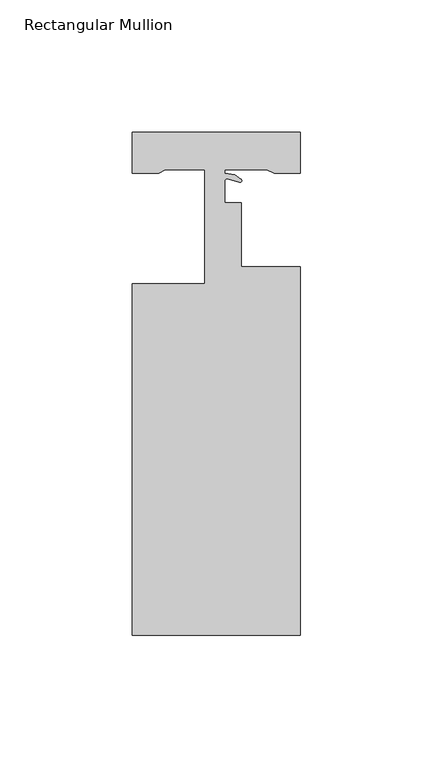
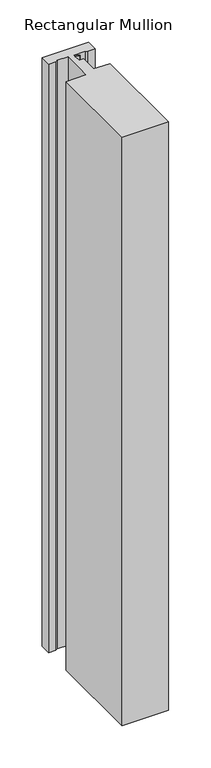
"""IFC4 building model written with IfcOpenShell, lengths in millimetres: member geometry, Rectangular Mullion."""

import ifcopenshell
import ifcopenshell.guid

model = None  # the IFC model being written
_history = None  # IfcOwnerHistory: only IFC2X3 demands one
_inside = {}  # id of a spatial element -> (the spatial element, [elements in it])
_under = {}  # id of a project, library or spatial element -> (it, [spatial elements below it])
_declared = {}  # id of a project -> (the project, [libraries it declares])
_typed = {}  # id of a type object -> (the type object, [elements of that type])
_made_of = {}  # id of a material, layer set ... -> (it, [elements and type objects made of it])


def new_model(schema):
    """Start an empty IFC model of exactly this schema.

    Asked for "IFC4X3", IfcOpenShell would pick the latest addendum, in which some entities
    have other attributes; the version numbers below select the first issue.
    IFC2X3 requires an IfcOwnerHistory on every rooted entity: one is made here for all.
    """
    global model, _history
    if schema == "IFC4X3":
        model = ifcopenshell.file(schema_version=(4, 3, 0, 0))
    else:
        model = ifcopenshell.file(schema=schema)
    _inside.clear()
    _under.clear()
    _declared.clear()
    _typed.clear()
    _made_of.clear()
    _history = None
    if model.schema == "IFC2X3":
        org = make("IfcOrganization", Name="unknown")
        user = make(
            "IfcPersonAndOrganization",
            ThePerson=make("IfcPerson", FamilyName="unknown"),
            TheOrganization=org,
        )
        app = make(
            "IfcApplication",
            ApplicationDeveloper=org,
            Version="unknown",
            ApplicationFullName="unknown",
            ApplicationIdentifier="unknown",
        )
        _history = make(
            "IfcOwnerHistory",
            OwningUser=user,
            OwningApplication=app,
            ChangeAction="ADDED",
            CreationDate=0,
        )
    return model


def make(cls, **values):
    """One entity of the class cls with the attributes given. An attribute that is None is left unset."""
    return model.create_entity(
        cls, **{name: value for name, value in values.items() if value is not None}
    )


def rooted(cls, **values):
    """An entity with a GlobalId (a new one), such as an element, a storey or a relation."""
    return make(cls, GlobalId=ifcopenshell.guid.new(), OwnerHistory=_history, **values)


def si_unit(unit_type, name, prefix=None):
    """IfcSIUnit, for example si_unit("LENGTHUNIT", "METRE", prefix="MILLI")."""
    return make("IfcSIUnit", UnitType=unit_type, Prefix=prefix, Name=name)


def assignment(units):
    """IfcUnitAssignment: the units of a project."""
    return None if units is None else make("IfcUnitAssignment", Units=units)


def point(xyz):
    """IfcCartesianPoint."""
    return None if xyz is None else make("IfcCartesianPoint", Coordinates=xyz)


def direction(xyz):
    """IfcDirection."""
    return None if xyz is None else make("IfcDirection", DirectionRatios=xyz)


def frame(location, z_axis=None, x_axis=None):
    """IfcAxis2Placement3D, a coordinate frame: its origin and axes. An axis left out is left unset."""
    return make(
        "IfcAxis2Placement3D",
        Location=point(location),
        Axis=direction(z_axis),
        RefDirection=direction(x_axis),
    )


def frame_2d(location, x_axis=None):
    """IfcAxis2Placement2D, a coordinate frame in the plane: its origin and x axis."""
    return make(
        "IfcAxis2Placement2D", Location=point(location), RefDirection=direction(x_axis)
    )


def origin():
    """The frame at (0, 0, 0) with its axes left unset."""
    return frame((0.0, 0.0, 0.0))


def place(relative_to, where):
    """IfcLocalPlacement: puts the frame where relative to a parent placement (None: the world)."""
    return make(
        "IfcLocalPlacement", PlacementRelTo=relative_to, RelativePlacement=where
    )


def context(
    kind, dimensions, precision=None, world=None, true_north=None, identifier=None
):
    """IfcGeometricRepresentationContext, for example the 3D "Model" context."""
    return make(
        "IfcGeometricRepresentationContext",
        ContextIdentifier=identifier,
        ContextType=kind,
        CoordinateSpaceDimension=dimensions,
        Precision=precision,
        WorldCoordinateSystem=world,
        TrueNorth=true_north,
    )


def project(units=None, contexts=None):
    """IfcProject with its units and contexts."""
    return rooted(
        "IfcProject",
        Name="project",
        RepresentationContexts=contexts,
        UnitsInContext=assignment(units),
    )


def spatial(cls, under=None, at=None, **own):
    """A site, building, storey or space (cls), placed at a placement, below another one or the project."""
    s = rooted(cls, ObjectPlacement=at, **own)
    if under is not None:
        _under.setdefault(under.id(), (under, []))[1].append(s)
    return s


def polyline(points):
    """IfcPolyline through the points."""
    return make("IfcPolyline", Points=[point(p) for p in points])


def circle_curve(where, radius):
    """IfcCircle in the frame where."""
    return make("IfcCircle", Position=where, Radius=radius)


def trimmed(basis, trim1, trim2, sense, master):
    """IfcTrimmedCurve: the piece of a basis curve between two trims."""
    return make(
        "IfcTrimmedCurve",
        BasisCurve=basis,
        Trim1=trim1,
        Trim2=trim2,
        SenseAgreement=sense,
        MasterRepresentation=master,
    )


def segment(curve, same_sense, transition):
    """IfcCompositeCurveSegment."""
    return make(
        "IfcCompositeCurveSegment",
        Transition=transition,
        SameSense=same_sense,
        ParentCurve=curve,
    )


def composite_curve(segments, self_intersect=None):
    """IfcCompositeCurve: segments joined end to end."""
    return make("IfcCompositeCurve", Segments=segments, SelfIntersect=self_intersect)


def outline(outer, holes=None, kind="AREA"):
    """IfcArbitraryClosedProfileDef: a profile drawn as a closed curve; with holes, ...WithVoids."""
    if holes is None:
        return make("IfcArbitraryClosedProfileDef", ProfileType=kind, OuterCurve=outer)
    return make(
        "IfcArbitraryProfileDefWithVoids",
        ProfileType=kind,
        OuterCurve=outer,
        InnerCurves=holes,
    )


def extrude(swept, where, along, depth):
    """IfcExtrudedAreaSolid: the profile swept, set in the frame where, extruded along a direction by depth."""
    return make(
        "IfcExtrudedAreaSolid",
        SweptArea=swept,
        Position=where,
        ExtrudedDirection=direction(along),
        Depth=depth,
    )


def shape(context_of_items, identifier, shape_type, items):
    """IfcShapeRepresentation: the items that make up one representation, for example the "Body"."""
    return make(
        "IfcShapeRepresentation",
        ContextOfItems=context_of_items,
        RepresentationIdentifier=identifier,
        RepresentationType=shape_type,
        Items=items,
    )


def source(mapping_origin, context_of_items, identifier, shape_type, items):
    """IfcRepresentationMap: a shape defined once, which mapped items show again and again."""
    return make(
        "IfcRepresentationMap",
        MappingOrigin=mapping_origin,
        MappedRepresentation=shape(context_of_items, identifier, shape_type, items),
    )


def transform(
    local_origin,
    x_axis=None,
    y_axis=None,
    z_axis=None,
    scale=None,
    scale2=None,
    scale3=None,
    uniform=True,
):
    """IfcCartesianTransformationOperator3D, or its non-uniform kind. x_axis, y_axis, z_axis: its Axis1, 2, 3."""
    if uniform:
        return make(
            "IfcCartesianTransformationOperator3D",
            Axis1=direction(x_axis),
            Axis2=direction(y_axis),
            LocalOrigin=point(local_origin),
            Scale=scale,
            Axis3=direction(z_axis),
        )
    return make(
        "IfcCartesianTransformationOperator3DnonUniform",
        Axis1=direction(x_axis),
        Axis2=direction(y_axis),
        LocalOrigin=point(local_origin),
        Scale=scale,
        Axis3=direction(z_axis),
        Scale2=scale2,
        Scale3=scale3,
    )


def mapped(mapping_source, mapping_target):
    """IfcMappedItem: shows the shape of a source again, moved by a transform."""
    return make(
        "IfcMappedItem", MappingSource=mapping_source, MappingTarget=mapping_target
    )


def made_of(thing, what):
    """Note that an element or type object is made of a material, layer set ...; save() writes the relation."""
    if what is not None:
        _made_of.setdefault(what.id(), (what, []))[1].append(thing)
    return thing


def element(
    cls,
    number,
    at=None,
    inside=None,
    cuts=None,
    type_object=None,
    material=None,
    context=None,
    identifier="Body",
    shape_type=None,
    held_by="IfcProductDefinitionShape",
    body=None,
    shapes=None,
    **own,
):
    """One element of the class cls, such as IfcWall. Its Tag is "e" and its number.

    at: its placement. inside: the storey or other place that contains it. cuts: it is an
    opening in that element (IfcRelVoidsElement). A single representation is given by context,
    identifier, shape_type and body (its items); several are given by shapes. held_by: the class
    of the entity that holds the representations. save() writes the other relations.
    """
    e = rooted(cls, Tag="e%d" % number, ObjectPlacement=at, **own)
    if body is not None:
        shapes = [shape(context, identifier, shape_type, body)]
    if shapes is not None:
        e.Representation = make(held_by, Representations=shapes)
    if inside is not None:
        _inside.setdefault(inside.id(), (inside, []))[1].append(e)
    if cuts is not None:
        rooted(
            "IfcRelVoidsElement", RelatingBuildingElement=cuts, RelatedOpeningElement=e
        )
    if type_object is not None:
        _typed.setdefault(type_object.id(), (type_object, []))[1].append(e)
    return made_of(e, material)


def aggregate(whole, parts):
    """IfcRelAggregates: a whole, such as a stair, and the parts it consists of."""
    return rooted("IfcRelAggregates", RelatingObject=whole, RelatedObjects=parts)


def save(model, path):
    """Write the relations noted so far, then the file.

    IfcRelAggregates (storeys below a building ...), IfcRelContainedInSpatialStructure (elements
    in a storey), IfcRelDefinesByType, IfcRelAssociatesMaterial and IfcRelDeclares: one each for
    every whole, place, type object, material and project.
    """
    for whole, parts in _under.values():
        aggregate(whole, parts)
    for where, things in _inside.values():
        rooted(
            "IfcRelContainedInSpatialStructure",
            RelatedElements=things,
            RelatingStructure=where,
        )
    for kind, things in _typed.values():
        rooted("IfcRelDefinesByType", RelatedObjects=things, RelatingType=kind)
    for what, things in _made_of.values():
        rooted("IfcRelAssociatesMaterial", RelatedObjects=things, RelatingMaterial=what)
    for by, libraries in _declared.values():
        rooted("IfcRelDeclares", RelatingContext=by, RelatedDefinitions=libraries)
    model.write(path)


def rectangular_mullion_f8ce8313(model_context):
    return source(origin(), model_context, "Body", "SweptSolid", [
        extrude(outline(composite_curve([segment(polyline([(31.75, -151.892), (-31.75, -151.892), (-31.75, -19.05), (-4.4809208, -19.05), (-4.4809208, 24.003), (-19.2970846, 24.003), (-21.8329567, 22.7330977), (-31.75, 22.7330977), (-31.75, 38.1), (31.75, 38.1), (31.75, 22.7330002), (21.8335611, 22.7330002), (19.05, 24.003), (3.1750001, 24.003), (3.1750001, 22.6708645), (6.9736326, 22.0206601), (9.2271396, 20.4427376)]), True, "CONTINUOUS"), segment(trimmed(circle_curve(frame_2d((8.8264964, 19.8705599)), 0.6985), [point((9.2271396, 20.4427376))], [point((8.6323393, 19.1995865))], False, "CARTESIAN"), True, "CONTINUOUS"), segment(polyline([(8.6323393, 19.1995865), (4.1488042, 20.4969706)]), True, "CONTINUOUS"), segment(trimmed(circle_curve(frame_2d((3.9369964, 19.7649996)), 0.762), [point((4.1488042, 20.4969706))], [point((3.1750001, 19.7626247))], True, "CARTESIAN"), True, "CONTINUOUS"), segment(polyline([(3.1750001, 19.7626247), (3.1750001, 11.4344315), (9.4838903, 11.4344315), (9.4838903, -12.7), (31.75, -12.7), (31.75, -151.892)]), True, "CONTINUOUS")], self_intersect=False)), frame((0.0, 0.0, -850.9000061), z_axis=(0.0, 0.0, 1.0), x_axis=(1.0, 0.0, 0.0)), (0.0, 0.0, 1.0), 850.9000061),
    ])


if __name__ == "__main__":
    model = new_model("IFC4")
    model_context = context("Model", 3, world=origin())
    ifc_project = project(units=[si_unit("LENGTHUNIT", "METRE", prefix="MILLI")], contexts=[model_context])
    site = spatial("IfcSite", under=ifc_project)
    building = spatial("IfcBuilding", under=site)
    placement = place(None, origin())
    rectangular_mullion_shape = rectangular_mullion_f8ce8313(model_context)
    element("IfcMember", 1, ObjectType="Rectangular Mullion", at=placement, inside=building, context=model_context, shape_type="MappedRepresentation", body=[
        mapped(rectangular_mullion_shape, transform((0.0, 0.0, 0.0), x_axis=(1.0, 0.0, 0.0), y_axis=(0.0, 1.0, 0.0), z_axis=(0.0, 0.0, 1.0))),
    ])
    save(model, "model.ifc")
